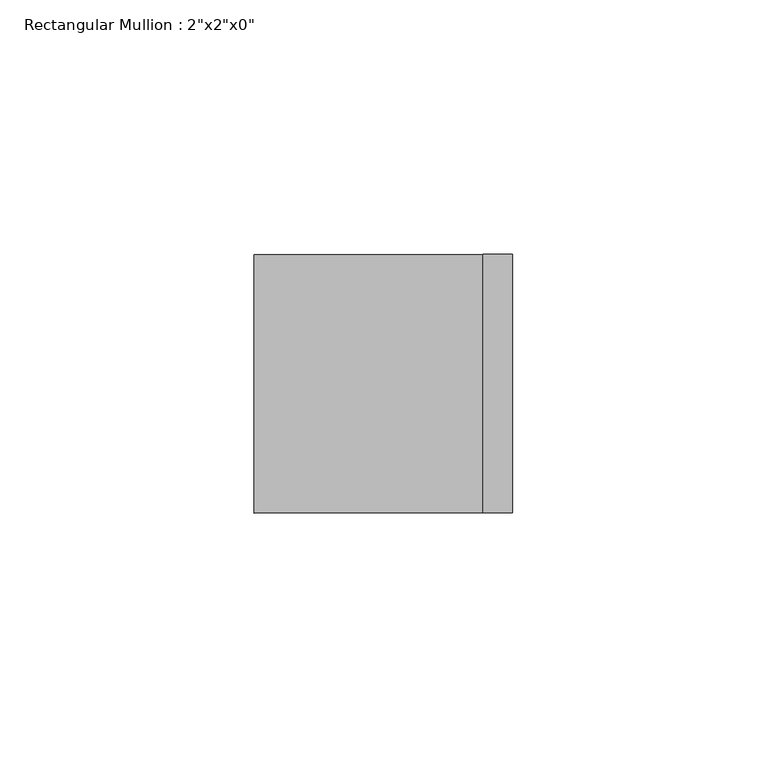
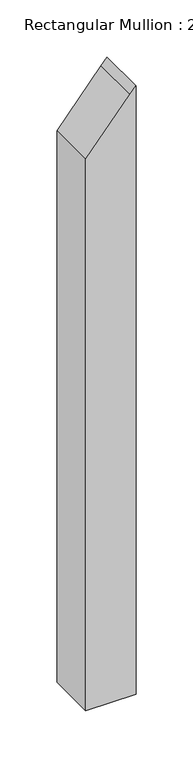
"""IFC4 building model written with IfcOpenShell, lengths in millimetres: member geometry."""

from ifc_helpers import new_model, si_unit, frame, origin, place, context, project, spatial, polyline, outline, extrude, source, transform, mapped, element, save


def member_2b75b45b(model_context):
    return source(origin(), model_context, "Body", "SweptSolid", [
        extrude(outline(polyline([(-9.185186, 25.4), (-16.2458946, 19.5251353), (-70.2391876, -25.4), (-660.8954074, -25.4), (-660.8954074, 25.4), (-9.185186, 25.4)])), frame((0.0, -25.4, 0.0), z_axis=(0.0, 1.0, 0.0), x_axis=(0.0, 0.0, 1.0)), (0.0, 0.0, 1.0), 50.8),
    ])


if __name__ == "__main__":
    model = new_model("IFC4")
    model_context = context("Model", 3, world=origin())
    ifc_project = project(units=[si_unit("LENGTHUNIT", "METRE", prefix="MILLI")], contexts=[model_context])
    site = spatial("IfcSite", under=ifc_project)
    building = spatial("IfcBuilding", under=site)
    placement = place(None, origin())
    member_shape = member_2b75b45b(model_context)
    element("IfcMember", 1, ObjectType="Rectangular Mullion : 2\"x2\"x0\"", at=placement, inside=building, context=model_context, shape_type="MappedRepresentation", body=[
        mapped(member_shape, transform((0.0, 0.0, 0.0), x_axis=(1.0, 0.0, 0.0), y_axis=(0.0, 1.0, 0.0), z_axis=(0.0, 0.0, 1.0))),
    ])
    save(model, "model.ifc")
